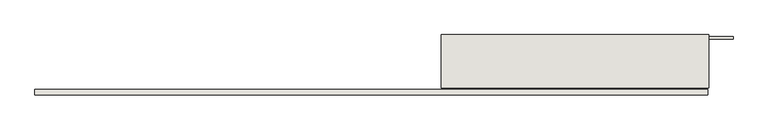
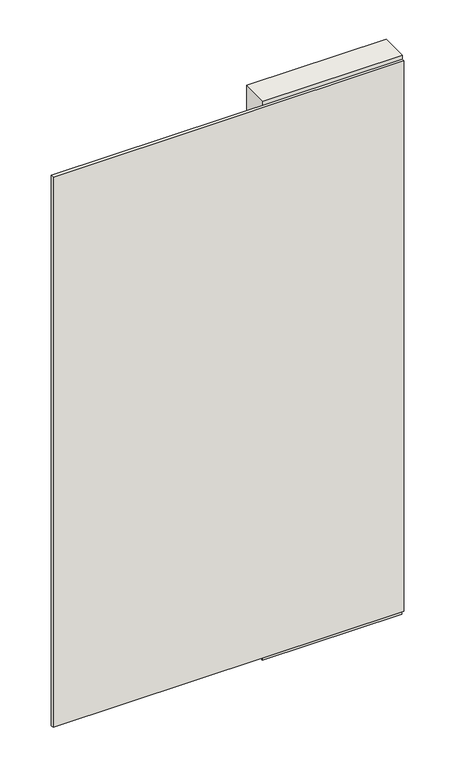
"""IFC4 building model written with IfcOpenShell, lengths in millimetres: wall geometry."""

from ifc_helpers import new_model, si_unit, frame, origin, place, context, project, spatial, polyline, outline, extrude, source, transform, mapped, element, save


def wall_0ff425a3(model_context):
    return source(origin(), model_context, "Body", "SweptSolid", [
        extrude(outline(polyline([(51760.934832, -39389.1814704), (51763.474832, -39389.1814704), (51763.474832, -39391.7214704), (51760.934832, -39391.7214704), (51760.934832, -39389.1814704)])), frame((0.0, 0.0, 4419.6), z_axis=(0.0, 0.0, 1.0), x_axis=(1.0, 0.0, 0.0)), (0.0, 0.0, 1.0), 2.54),
        extrude(outline(polyline([(51761.4719404, -39466.6514704), (50227.3663472, -39466.6514704), (50227.3663472, -39453.9514704), (51761.4719404, -39453.9514704), (51761.4719404, -39466.6514704)])), frame((0.0, 0.0, 4445.0), z_axis=(0.0, 0.0, 1.0), x_axis=(1.0, 0.0, 0.0)), (0.0, 0.0, 1.0), 2545.0498756),
        extrude(outline(polyline([(51153.8729778, -39442.1351364), (51763.4729778, -39442.1351364), (51763.4729778, -39447.2169906), (51153.8729778, -39447.2169906), (51153.8729778, -39442.1351364)])), frame((0.0, 0.0, 4418.6602), z_axis=(0.0, 0.0, 1.0), x_axis=(1.0, 0.0, 0.0)), (0.0, 0.0, 1.0), 47.625),
        extrude(outline(polyline([(51153.8729778, -39442.1351364), (51763.4729778, -39442.1351364), (51763.4729778, -39447.2169906), (51153.8729778, -39447.2169906), (51153.8729778, -39442.1351364)])), frame((0.0, 0.0, 4418.6602), z_axis=(0.0, 0.0, 1.0), x_axis=(1.0, 0.0, 0.0)), (0.0, 0.0, 1.0), 47.625),
        extrude(outline(polyline([(51818.7688286, -39338.758508), (51153.8729778, -39338.758508), (51153.8729778, -39333.6766284), (51818.7688286, -39333.6766284), (51818.7688286, -39338.758508)])), frame((0.0, 0.0, 4418.6602), z_axis=(0.0, 0.0, 1.0), x_axis=(1.0, 0.0, 0.0)), (0.0, 0.0, 1.0), 47.625),
        extrude(outline(polyline([(51818.7688286, -39338.758508), (51153.8729778, -39338.758508), (51153.8729778, -39333.6766284), (51818.7688286, -39333.6766284), (51818.7688286, -39338.758508)])), frame((0.0, 0.0, 4418.6602), z_axis=(0.0, 0.0, 1.0), x_axis=(1.0, 0.0, 0.0)), (0.0, 0.0, 1.0), 47.625),
        extrude(outline(polyline([(51153.8729778, -39451.4058824), (51153.8729778, -39329.4877366), (51763.4729778, -39329.4877366), (51763.4729778, -39451.4058824), (51153.8729778, -39451.4058824)])), frame((0.0, 0.0, 4445.0), z_axis=(0.0, 0.0, 1.0), x_axis=(1.0, 0.0, 0.0)), (0.0, 0.0, 1.0), 2562.4536762),
    ])


if __name__ == "__main__":
    model = new_model("IFC4")
    model_context = context("Model", 3, world=origin())
    ifc_project = project(units=[si_unit("LENGTHUNIT", "METRE", prefix="MILLI")], contexts=[model_context])
    site = spatial("IfcSite", under=ifc_project)
    building = spatial("IfcBuilding", under=site)
    placement = place(None, origin())
    wall_shape = wall_0ff425a3(model_context)
    element("IfcWall", 1, at=placement, inside=building, context=model_context, shape_type="MappedRepresentation", body=[
        mapped(wall_shape, transform((0.0, 0.0, 0.0), x_axis=(1.0, 0.0, 0.0), y_axis=(0.0, 1.0, 0.0), z_axis=(0.0, 0.0, 1.0))),
    ])
    save(model, "model.ifc")
